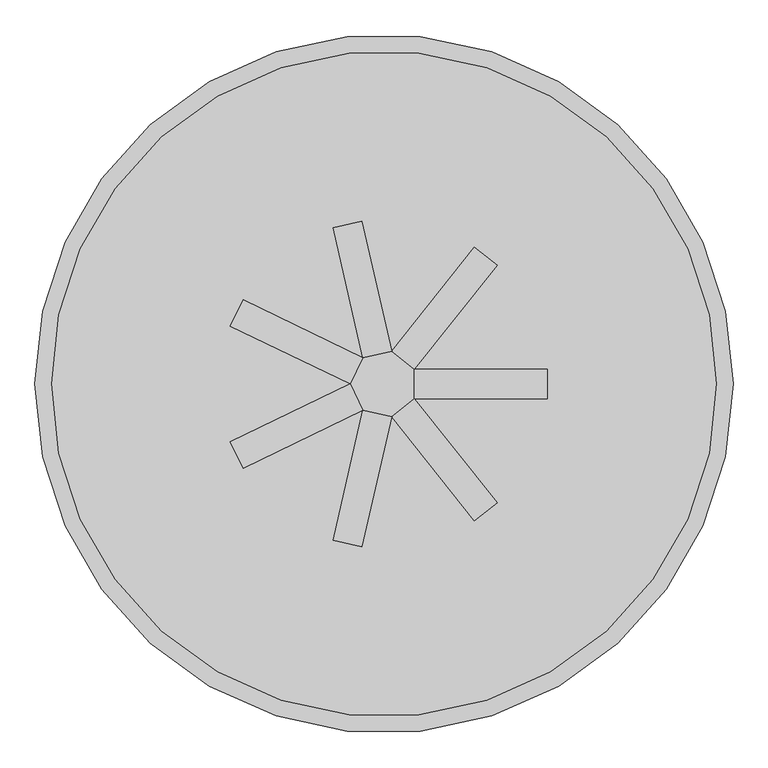
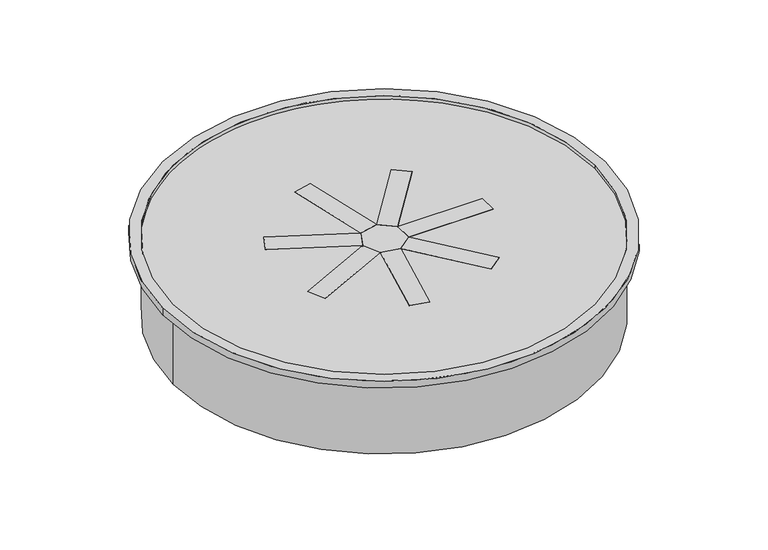
"""IFC4 building model written with IfcOpenShell, lengths in millimetres: proxy geometry."""

from ifc_helpers import new_model, si_unit, point, frame, origin, origin_with_axes, origin_2d, place, context, project, spatial, polyline, circle_curve, trimmed, segment, composite_curve, outline, extrude, source, transform, mapped, element, save


def generic_models_a76b0fa7(model_context):
    return source(origin(), model_context, "Body", "SweptSolid", [
        extrude(outline(polyline([(17.2515253, 75.583871), (-48.3376998, 60.6135584), (-116.1620805, 357.771586), (-50.5728554, 372.7418986), (17.2515253, 75.583871)])), frame((0.0, 0.0, 279.4), z_axis=(0.0, 0.0, 1.0), x_axis=(1.0, 0.0, 0.0)), (0.0, 0.0, 1.0), 12.7),
        extrude(outline(polyline([(-48.3376998, 60.6135584), (-77.5276511, 0.0), (-352.142962, 132.2477637), (-322.9530107, 192.861322), (-48.3376998, 60.6135584)])), frame((0.0, 0.0, 279.4), z_axis=(0.0, 0.0, 1.0), x_axis=(1.0, 0.0, 0.0)), (0.0, 0.0, 1.0), 12.7),
        extrude(outline(polyline([(-77.5276511, 0.0), (-48.3376998, -60.6135584), (-322.9530107, -192.861322), (-352.142962, -132.2477637), (-77.5276511, 0.0)])), frame((0.0, 0.0, 279.4), z_axis=(0.0, 0.0, 1.0), x_axis=(1.0, 0.0, 0.0)), (0.0, 0.0, 1.0), 12.7),
        extrude(outline(polyline([(-48.3376998, -60.6135584), (17.2515253, -75.583871), (-50.5728554, -372.7418986), (-116.1620805, -357.771586), (-48.3376998, -60.6135584)])), frame((0.0, 0.0, 279.4), z_axis=(0.0, 0.0, 1.0), x_axis=(1.0, 0.0, 0.0)), (0.0, 0.0, 1.0), 12.7),
        extrude(outline(polyline([(17.2515253, -75.583871), (69.85, -33.6379871), (259.8896916, -271.940223), (207.2912169, -313.8861068), (17.2515253, -75.583871)])), frame((0.0, 0.0, 279.4), z_axis=(0.0, 0.0, 1.0), x_axis=(1.0, 0.0, 0.0)), (0.0, 0.0, 1.0), 12.7),
        extrude(outline(polyline([(69.85, 33.6379871), (374.65, 33.6379871), (374.65, -33.6379871), (69.85, -33.6379871), (69.85, 33.6379871)])), frame((0.0, 0.0, 279.4), z_axis=(0.0, 0.0, 1.0), x_axis=(1.0, 0.0, 0.0)), (0.0, 0.0, 1.0), 12.7),
        extrude(outline(polyline([(17.2515253, 75.583871), (207.2912169, 313.8861068), (259.8896916, 271.940223), (69.85, 33.6379871), (17.2515253, 75.583871)])), frame((0.0, 0.0, 279.4), z_axis=(0.0, 0.0, 1.0), x_axis=(1.0, 0.0, 0.0)), (0.0, 0.0, 1.0), 12.7),
        extrude(outline(polyline([(17.2515253, 75.583871), (69.85, 33.6379871), (69.85, -33.6379871), (17.2515253, -75.583871), (-48.3376998, -60.6135584), (-77.5276511, 0.0), (-48.3376998, 60.6135584), (17.2515253, 75.583871)])), frame((0.0, 0.0, 279.4), z_axis=(0.0, 0.0, 1.0), x_axis=(1.0, 0.0, 0.0)), (0.0, 0.0, 1.0), 12.7),
        extrude(outline(composite_curve([segment(trimmed(circle_curve(origin_2d(), 762.0), [point((762.0, 0.0))], [point((-762.0, 0.0))], False, "CARTESIAN"), True, "CONTINUOUS"), segment(trimmed(circle_curve(origin_2d(), 762.0), [point((-762.0, 0.0))], [point((762.0, 0.0))], False, "CARTESIAN"), True, "CONTINUOUS")], self_intersect=False)), frame((0.0, 0.0, 285.75), z_axis=(0.0, 0.0, 1.0), x_axis=(1.0, 0.0, 0.0)), (0.0, 0.0, 1.0), 6.35),
        extrude(outline(composite_curve([segment(trimmed(circle_curve(origin_2d(), 800.1), [point((800.1, 0.0))], [point((-800.1, 0.0))], False, "CARTESIAN"), True, "CONTINUOUS"), segment(trimmed(circle_curve(origin_2d(), 800.1), [point((-800.1, 0.0))], [point((800.1, 0.0))], False, "CARTESIAN"), True, "CONTINUOUS")], self_intersect=False), holes=[composite_curve([segment(trimmed(circle_curve(origin_2d(), 762.0), [point((-762.0, 0.0))], [point((762.0, 0.0))], True, "CARTESIAN"), True, "CONTINUOUS"), segment(trimmed(circle_curve(origin_2d(), 762.0), [point((762.0, 0.0))], [point((-762.0, 0.0))], True, "CARTESIAN"), True, "CONTINUOUS")], self_intersect=False)]), frame((0.0, 0.0, 279.4), z_axis=(0.0, 0.0, 1.0), x_axis=(1.0, 0.0, 0.0)), (0.0, 0.0, 1.0), 25.4),
        extrude(outline(composite_curve([segment(trimmed(circle_curve(origin_2d(), 762.0), [point((-762.0, 0.0))], [point((762.0, 0.0))], False, "CARTESIAN"), True, "CONTINUOUS"), segment(trimmed(circle_curve(origin_2d(), 762.0), [point((762.0, 0.0))], [point((-762.0, 0.0))], False, "CARTESIAN"), True, "CONTINUOUS")], self_intersect=False)), origin_with_axes(), (0.0, 0.0, 1.0), 279.4),
    ])


if __name__ == "__main__":
    model = new_model("IFC4")
    model_context = context("Model", 3, world=origin())
    ifc_project = project(units=[si_unit("LENGTHUNIT", "METRE", prefix="MILLI")], contexts=[model_context])
    site = spatial("IfcSite", under=ifc_project)
    building = spatial("IfcBuilding", under=site)
    placement = place(None, origin())
    generic_models_shape = generic_models_a76b0fa7(model_context)
    element("IfcBuildingElementProxy", 1, Name="Generic Models", at=placement, inside=building, context=model_context, shape_type="MappedRepresentation", body=[
        mapped(generic_models_shape, transform((0.0, 0.0, 0.0), x_axis=(1.0, 0.0, 0.0), y_axis=(0.0, 1.0, 0.0), z_axis=(0.0, 0.0, 1.0))),
    ])
    save(model, "model.ifc")
